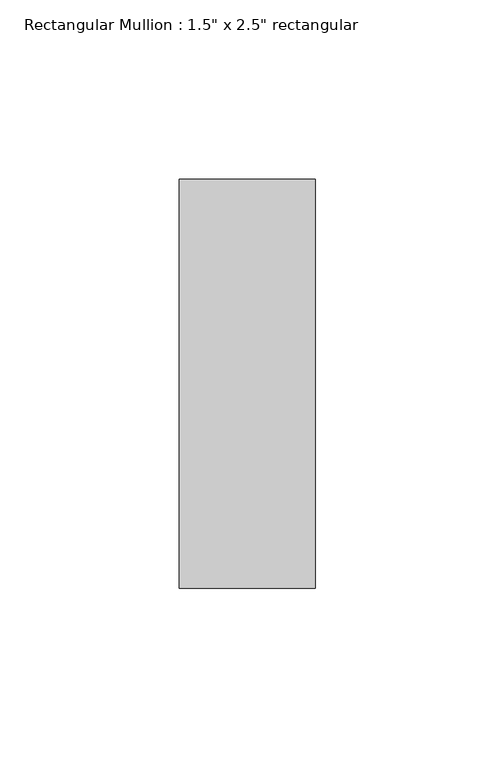
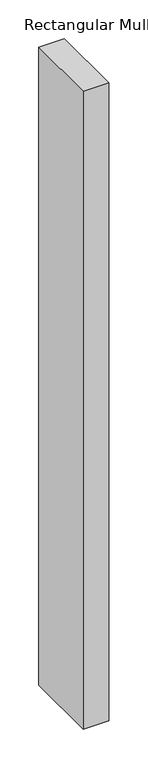
"""IFC4 building model written with IfcOpenShell, lengths in millimetres: member geometry."""

from ifc_helpers import new_model, si_unit, frame, origin, place, context, project, spatial, polyline, outline, extrude, source, transform, mapped, element, save


def member_03bc8063(model_context):
    return source(origin(), model_context, "Body", "SweptSolid", [
        extrude(outline(polyline([(0.0, 57.15), (0.0, -57.15), (-38.1, -57.15), (-38.1, 57.15), (0.0, 57.15)])), frame((0.0, 0.0, -1003.3), z_axis=(0.0, 0.0, 1.0), x_axis=(1.0, 0.0, 0.0)), (0.0, 0.0, 1.0), 1003.3),
    ])


if __name__ == "__main__":
    model = new_model("IFC4")
    model_context = context("Model", 3, world=origin())
    ifc_project = project(units=[si_unit("LENGTHUNIT", "METRE", prefix="MILLI")], contexts=[model_context])
    site = spatial("IfcSite", under=ifc_project)
    building = spatial("IfcBuilding", under=site)
    placement = place(None, origin())
    member_shape = member_03bc8063(model_context)
    element("IfcMember", 1, ObjectType="Rectangular Mullion : 1.5\" x 2.5\" rectangular", at=placement, inside=building, context=model_context, shape_type="MappedRepresentation", body=[
        mapped(member_shape, transform((0.0, 0.0, 0.0), x_axis=(1.0, 0.0, 0.0), y_axis=(0.0, 1.0, 0.0), z_axis=(0.0, 0.0, 1.0))),
    ])
    save(model, "model.ifc")
